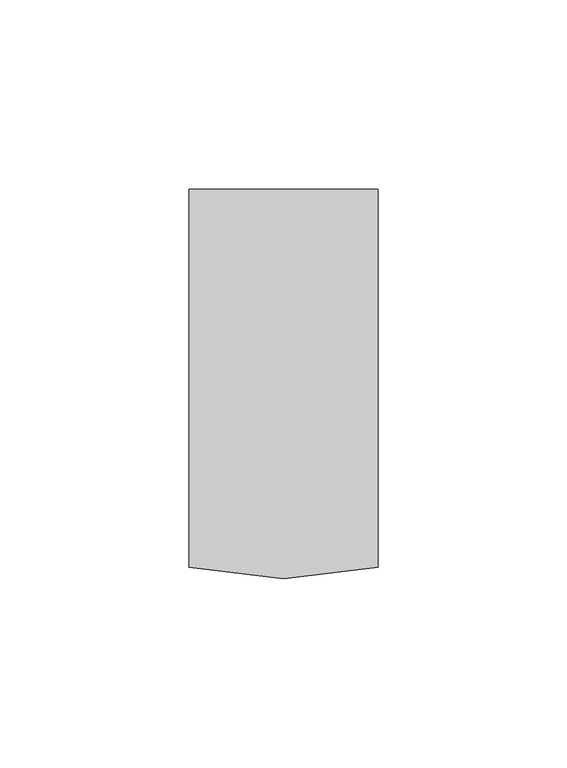
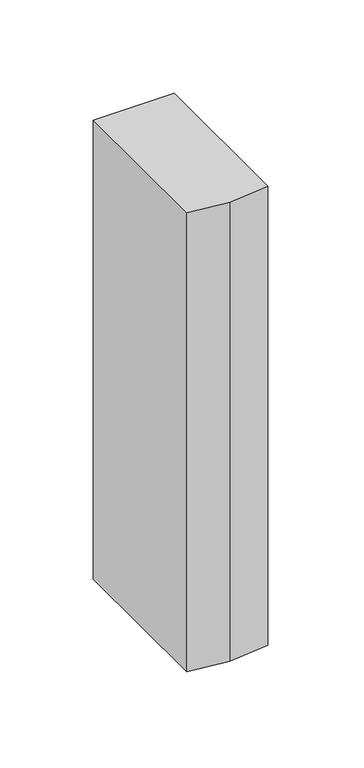
"""IFC4 building model written with IfcOpenShell, lengths in millimetres: member geometry."""

from ifc_helpers import new_model, si_unit, frame, origin, place, context, project, spatial, polyline, outline, extrude, source, transform, mapped, element, save


def member_efcfa6e6(model_context):
    return source(origin(), model_context, "Body", "SweptSolid", [
        extrude(outline(polyline([(-25.0, -3.0), (-25.0, 97.0), (25.0, 97.0), (25.0, -3.0), (0.0, -6.0), (-25.0, -3.0)])), frame((0.0, 0.0, -299.9999997), z_axis=(0.0, 0.0, 1.0), x_axis=(1.0, 0.0, 0.0)), (0.0, 0.0, 1.0), 299.9999997),
    ])


if __name__ == "__main__":
    model = new_model("IFC4")
    model_context = context("Model", 3, world=origin())
    ifc_project = project(units=[si_unit("LENGTHUNIT", "METRE", prefix="MILLI")], contexts=[model_context])
    site = spatial("IfcSite", under=ifc_project)
    building = spatial("IfcBuilding", under=site)
    placement = place(None, origin())
    member_shape = member_efcfa6e6(model_context)
    element("IfcMember", 1, at=placement, inside=building, context=model_context, shape_type="MappedRepresentation", body=[
        mapped(member_shape, transform((0.0, 0.0, 0.0), x_axis=(1.0, 0.0, 0.0), y_axis=(0.0, 1.0, 0.0), z_axis=(0.0, 0.0, 1.0))),
    ])
    save(model, "model.ifc")
